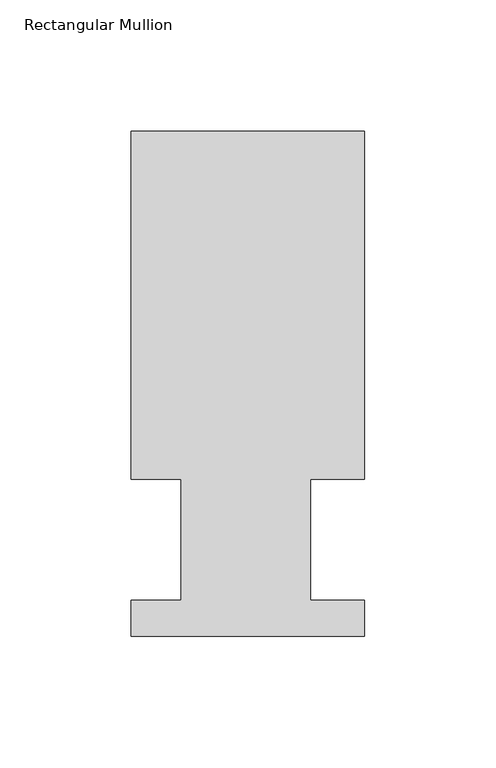
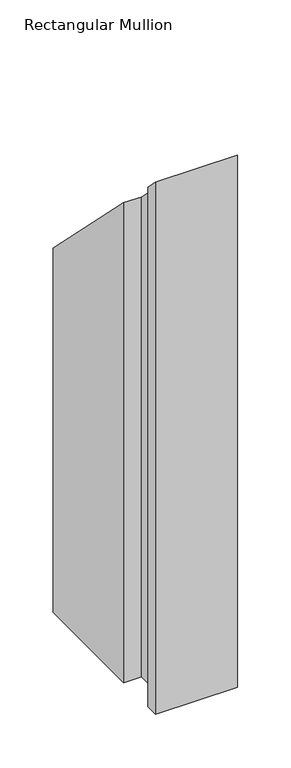
"""IFC4 building model written with IfcOpenShell, lengths in millimetres: member geometry, Rectangular Mullion."""

import ifcopenshell
import ifcopenshell.guid

model = None  # the IFC model being written
_history = None  # IfcOwnerHistory: only IFC2X3 demands one
_inside = {}  # id of a spatial element -> (the spatial element, [elements in it])
_under = {}  # id of a project, library or spatial element -> (it, [spatial elements below it])
_declared = {}  # id of a project -> (the project, [libraries it declares])
_typed = {}  # id of a type object -> (the type object, [elements of that type])
_made_of = {}  # id of a material, layer set ... -> (it, [elements and type objects made of it])


def new_model(schema):
    """Start an empty IFC model of exactly this schema.

    Asked for "IFC4X3", IfcOpenShell would pick the latest addendum, in which some entities
    have other attributes; the version numbers below select the first issue.
    IFC2X3 requires an IfcOwnerHistory on every rooted entity: one is made here for all.
    """
    global model, _history
    if schema == "IFC4X3":
        model = ifcopenshell.file(schema_version=(4, 3, 0, 0))
    else:
        model = ifcopenshell.file(schema=schema)
    _inside.clear()
    _under.clear()
    _declared.clear()
    _typed.clear()
    _made_of.clear()
    _history = None
    if model.schema == "IFC2X3":
        org = make("IfcOrganization", Name="unknown")
        user = make(
            "IfcPersonAndOrganization",
            ThePerson=make("IfcPerson", FamilyName="unknown"),
            TheOrganization=org,
        )
        app = make(
            "IfcApplication",
            ApplicationDeveloper=org,
            Version="unknown",
            ApplicationFullName="unknown",
            ApplicationIdentifier="unknown",
        )
        _history = make(
            "IfcOwnerHistory",
            OwningUser=user,
            OwningApplication=app,
            ChangeAction="ADDED",
            CreationDate=0,
        )
    return model


def make(cls, **values):
    """One entity of the class cls with the attributes given. An attribute that is None is left unset."""
    return model.create_entity(
        cls, **{name: value for name, value in values.items() if value is not None}
    )


def rooted(cls, **values):
    """An entity with a GlobalId (a new one), such as an element, a storey or a relation."""
    return make(cls, GlobalId=ifcopenshell.guid.new(), OwnerHistory=_history, **values)


def si_unit(unit_type, name, prefix=None):
    """IfcSIUnit, for example si_unit("LENGTHUNIT", "METRE", prefix="MILLI")."""
    return make("IfcSIUnit", UnitType=unit_type, Prefix=prefix, Name=name)


def assignment(units):
    """IfcUnitAssignment: the units of a project."""
    return None if units is None else make("IfcUnitAssignment", Units=units)


def point(xyz):
    """IfcCartesianPoint."""
    return None if xyz is None else make("IfcCartesianPoint", Coordinates=xyz)


def direction(xyz):
    """IfcDirection."""
    return None if xyz is None else make("IfcDirection", DirectionRatios=xyz)


def frame(location, z_axis=None, x_axis=None):
    """IfcAxis2Placement3D, a coordinate frame: its origin and axes. An axis left out is left unset."""
    return make(
        "IfcAxis2Placement3D",
        Location=point(location),
        Axis=direction(z_axis),
        RefDirection=direction(x_axis),
    )


def origin():
    """The frame at (0, 0, 0) with its axes left unset."""
    return frame((0.0, 0.0, 0.0))


def place(relative_to, where):
    """IfcLocalPlacement: puts the frame where relative to a parent placement (None: the world)."""
    return make(
        "IfcLocalPlacement", PlacementRelTo=relative_to, RelativePlacement=where
    )


def context(
    kind, dimensions, precision=None, world=None, true_north=None, identifier=None
):
    """IfcGeometricRepresentationContext, for example the 3D "Model" context."""
    return make(
        "IfcGeometricRepresentationContext",
        ContextIdentifier=identifier,
        ContextType=kind,
        CoordinateSpaceDimension=dimensions,
        Precision=precision,
        WorldCoordinateSystem=world,
        TrueNorth=true_north,
    )


def project(units=None, contexts=None):
    """IfcProject with its units and contexts."""
    return rooted(
        "IfcProject",
        Name="project",
        RepresentationContexts=contexts,
        UnitsInContext=assignment(units),
    )


def spatial(cls, under=None, at=None, **own):
    """A site, building, storey or space (cls), placed at a placement, below another one or the project."""
    s = rooted(cls, ObjectPlacement=at, **own)
    if under is not None:
        _under.setdefault(under.id(), (under, []))[1].append(s)
    return s


def faces_of(points, faces, orient=None, outer=None):
    """IfcFace entities. A face is a list of loops; a loop is a list of indices into points, from 0.

    orient and outer hold one flag for each loop. By default every Orientation is true, the
    first loop of a face is its IfcFaceOuterBound and the others are IfcFaceBound.
    """
    made = []
    for i, loops in enumerate(faces):
        bounds = []
        for j, loop in enumerate(loops):
            is_outer = j == 0 if outer is None else outer[i][j]
            bounds.append(
                make(
                    "IfcFaceOuterBound" if is_outer else "IfcFaceBound",
                    Bound=make("IfcPolyLoop", Polygon=[points[k] for k in loop]),
                    Orientation=True if orient is None else orient[i][j],
                )
            )
        made.append(make("IfcFace", Bounds=bounds))
    return made


def faceted_brep(points, faces, orient=None, outer=None, voids=None):
    """IfcFacetedBrep: a solid bounded by flat faces; with voids (closed shells), ...WithVoids."""
    shared = [point(p) for p in points]
    hull = make("IfcClosedShell", CfsFaces=faces_of(shared, faces, orient, outer))
    if voids is None:
        return make("IfcFacetedBrep", Outer=hull)
    return make(
        "IfcFacetedBrepWithVoids",
        Outer=hull,
        Voids=[
            make(cls, CfsFaces=faces_of(shared, fs, o, b)) for cls, fs, o, b in voids
        ],
    )


def shape(context_of_items, identifier, shape_type, items):
    """IfcShapeRepresentation: the items that make up one representation, for example the "Body"."""
    return make(
        "IfcShapeRepresentation",
        ContextOfItems=context_of_items,
        RepresentationIdentifier=identifier,
        RepresentationType=shape_type,
        Items=items,
    )


def source(mapping_origin, context_of_items, identifier, shape_type, items):
    """IfcRepresentationMap: a shape defined once, which mapped items show again and again."""
    return make(
        "IfcRepresentationMap",
        MappingOrigin=mapping_origin,
        MappedRepresentation=shape(context_of_items, identifier, shape_type, items),
    )


def transform(
    local_origin,
    x_axis=None,
    y_axis=None,
    z_axis=None,
    scale=None,
    scale2=None,
    scale3=None,
    uniform=True,
):
    """IfcCartesianTransformationOperator3D, or its non-uniform kind. x_axis, y_axis, z_axis: its Axis1, 2, 3."""
    if uniform:
        return make(
            "IfcCartesianTransformationOperator3D",
            Axis1=direction(x_axis),
            Axis2=direction(y_axis),
            LocalOrigin=point(local_origin),
            Scale=scale,
            Axis3=direction(z_axis),
        )
    return make(
        "IfcCartesianTransformationOperator3DnonUniform",
        Axis1=direction(x_axis),
        Axis2=direction(y_axis),
        LocalOrigin=point(local_origin),
        Scale=scale,
        Axis3=direction(z_axis),
        Scale2=scale2,
        Scale3=scale3,
    )


def mapped(mapping_source, mapping_target):
    """IfcMappedItem: shows the shape of a source again, moved by a transform."""
    return make(
        "IfcMappedItem", MappingSource=mapping_source, MappingTarget=mapping_target
    )


def made_of(thing, what):
    """Note that an element or type object is made of a material, layer set ...; save() writes the relation."""
    if what is not None:
        _made_of.setdefault(what.id(), (what, []))[1].append(thing)
    return thing


def element(
    cls,
    number,
    at=None,
    inside=None,
    cuts=None,
    type_object=None,
    material=None,
    context=None,
    identifier="Body",
    shape_type=None,
    held_by="IfcProductDefinitionShape",
    body=None,
    shapes=None,
    **own,
):
    """One element of the class cls, such as IfcWall. Its Tag is "e" and its number.

    at: its placement. inside: the storey or other place that contains it. cuts: it is an
    opening in that element (IfcRelVoidsElement). A single representation is given by context,
    identifier, shape_type and body (its items); several are given by shapes. held_by: the class
    of the entity that holds the representations. save() writes the other relations.
    """
    e = rooted(cls, Tag="e%d" % number, ObjectPlacement=at, **own)
    if body is not None:
        shapes = [shape(context, identifier, shape_type, body)]
    if shapes is not None:
        e.Representation = make(held_by, Representations=shapes)
    if inside is not None:
        _inside.setdefault(inside.id(), (inside, []))[1].append(e)
    if cuts is not None:
        rooted(
            "IfcRelVoidsElement", RelatingBuildingElement=cuts, RelatedOpeningElement=e
        )
    if type_object is not None:
        _typed.setdefault(type_object.id(), (type_object, []))[1].append(e)
    return made_of(e, material)


def aggregate(whole, parts):
    """IfcRelAggregates: a whole, such as a stair, and the parts it consists of."""
    return rooted("IfcRelAggregates", RelatingObject=whole, RelatedObjects=parts)


def save(model, path):
    """Write the relations noted so far, then the file.

    IfcRelAggregates (storeys below a building ...), IfcRelContainedInSpatialStructure (elements
    in a storey), IfcRelDefinesByType, IfcRelAssociatesMaterial and IfcRelDeclares: one each for
    every whole, place, type object, material and project.
    """
    for whole, parts in _under.values():
        aggregate(whole, parts)
    for where, things in _inside.values():
        rooted(
            "IfcRelContainedInSpatialStructure",
            RelatedElements=things,
            RelatingStructure=where,
        )
    for kind, things in _typed.values():
        rooted("IfcRelDefinesByType", RelatedObjects=things, RelatingType=kind)
    for what, things in _made_of.values():
        rooted("IfcRelAssociatesMaterial", RelatedObjects=things, RelatingMaterial=what)
    for by, libraries in _declared.values():
        rooted("IfcRelDeclares", RelatingContext=by, RelatedDefinitions=libraries)
    model.write(path)


def rectangular_mullion_a72539d0(model_context):
    return source(origin(), model_context, "Body", "Brep", [
        faceted_brep([(-88.9, 192.09385, -609.6), (0.0, 192.09385, -609.6), (0.0, 59.53125, -609.6), (-20.6248, 59.53125, -609.6), (-20.6248, 13.50645, -609.6), (0.0, 13.50645, -609.6), (0.0, -0.26035, -609.6), (-88.9, -0.26035, -609.6), (-88.9, 13.50645, -609.6), (-69.85, 13.50645, -609.6), (-69.85, 59.53125, -609.6), (-88.9, 59.53125, -609.6), (-88.9, 59.53125, -59.53125), (-88.9, 192.09385, -192.09385), (-69.85, 59.53125, -59.53125), (-69.85, 13.50645, -13.50645), (-88.9, 13.50645, -13.50645), (-88.9, -0.26035, 0.26035), (0.0, -0.26035, 0.26035), (0.0, 13.50645, -13.50645), (-20.6248, 13.50645, -13.50645), (-20.6248, 59.53125, -59.53125), (0.0, 59.53125, -59.53125), (0.0, 192.09385, -192.09385)], [[[0, 1, 2, 3, 4, 5, 6, 7, 8, 9, 10, 11]], [[12, 13, 0, 11]], [[14, 12, 11, 10]], [[15, 14, 10, 9]], [[16, 15, 9, 8]], [[17, 16, 8, 7]], [[18, 17, 7, 6]], [[19, 18, 6, 5]], [[20, 19, 5, 4]], [[21, 20, 4, 3]], [[22, 21, 3, 2]], [[23, 22, 2, 1]], [[13, 23, 1, 0]], [[13, 12, 14, 15, 16, 17, 18, 19, 20, 21, 22, 23]]]),
    ])


if __name__ == "__main__":
    model = new_model("IFC4")
    model_context = context("Model", 3, world=origin())
    ifc_project = project(units=[si_unit("LENGTHUNIT", "METRE", prefix="MILLI")], contexts=[model_context])
    site = spatial("IfcSite", under=ifc_project)
    building = spatial("IfcBuilding", under=site)
    placement = place(None, origin())
    rectangular_mullion_shape = rectangular_mullion_a72539d0(model_context)
    element("IfcMember", 1, ObjectType="Rectangular Mullion", at=placement, inside=building, context=model_context, shape_type="MappedRepresentation", body=[
        mapped(rectangular_mullion_shape, transform((0.0, 0.0, 0.0), x_axis=(1.0, 0.0, 0.0), y_axis=(0.0, 1.0, 0.0), z_axis=(0.0, 0.0, 1.0))),
    ])
    save(model, "model.ifc")
